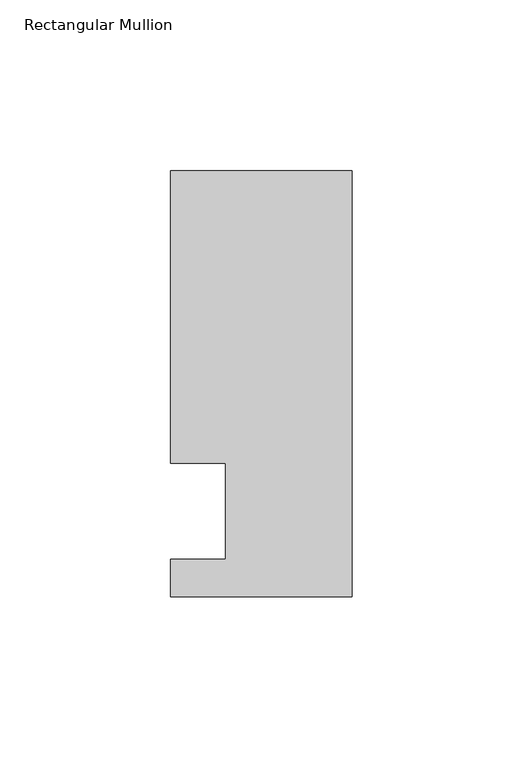
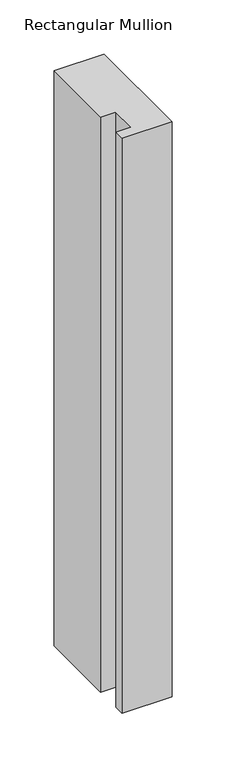
"""IFC4 building model written with IfcOpenShell, lengths in millimetres: member geometry, Rectangular Mullion."""

from ifc_helpers import new_model, si_unit, frame, origin, place, context, project, spatial, polyline, outline, extrude, source, transform, mapped, element, save


def rectangular_mullion_ba00d117(model_context):
    return source(origin(), model_context, "Body", "SweptSolid", [
        extrude(outline(polyline([(0.0, -25.0), (-53.0, -25.0), (-53.0, -14.0), (-37.0, -14.0), (-37.0, 14.0), (-53.0, 14.0), (-53.0, 99.5), (0.0, 99.5), (0.0, -25.0)])), frame((0.0, 0.0, -645.561551), z_axis=(0.0, 0.0, 1.0), x_axis=(1.0, 0.0, 0.0)), (0.0, 0.0, 1.0), 645.561551),
    ])


if __name__ == "__main__":
    model = new_model("IFC4")
    model_context = context("Model", 3, world=origin())
    ifc_project = project(units=[si_unit("LENGTHUNIT", "METRE", prefix="MILLI")], contexts=[model_context])
    site = spatial("IfcSite", under=ifc_project)
    building = spatial("IfcBuilding", under=site)
    placement = place(None, origin())
    rectangular_mullion_shape = rectangular_mullion_ba00d117(model_context)
    element("IfcMember", 1, ObjectType="Rectangular Mullion", at=placement, inside=building, context=model_context, shape_type="MappedRepresentation", body=[
        mapped(rectangular_mullion_shape, transform((0.0, 0.0, 0.0), x_axis=(1.0, 0.0, 0.0), y_axis=(0.0, 1.0, 0.0), z_axis=(0.0, 0.0, 1.0))),
    ])
    save(model, "model.ifc")
